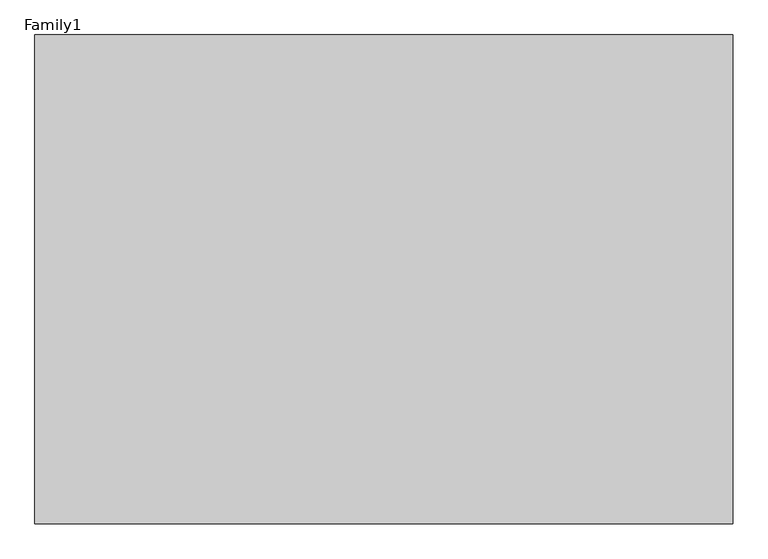
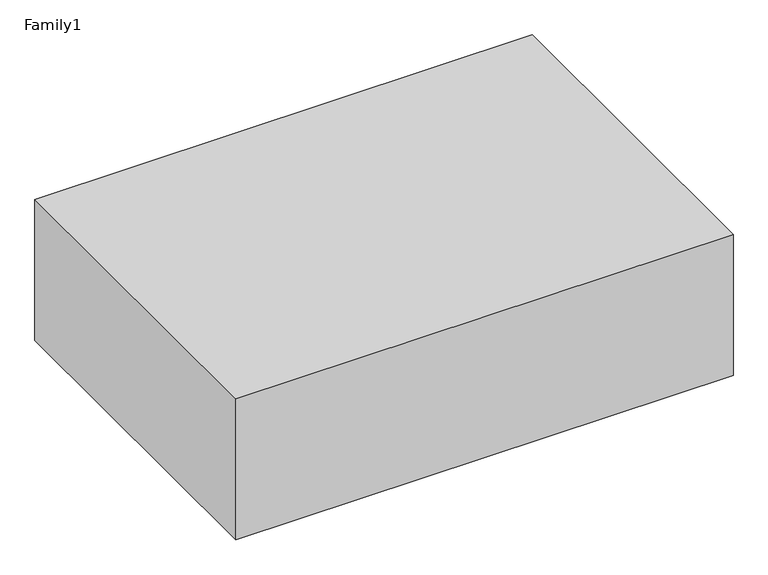
"""IFC4 building model written with IfcOpenShell, lengths in millimetres: proxy geometry, Family1."""

from ifc_helpers import new_model, si_unit, frame, origin, place, context, project, spatial, polyline, outline, extrude, source, transform, mapped, element, save


def family1_7d115038(model_context):
    return source(origin(), model_context, "Body", "SweptSolid", [
        extrude(outline(polyline([(1000.0, 0.0), (0.0, 0.0), (0.0, 700.0), (1000.0, 700.0), (1000.0, 0.0)])), frame((0.0, 0.0, 31000.0), z_axis=(0.0, 0.0, 1.0), x_axis=(1.0, 0.0, 0.0)), (0.0, 0.0, 1.0), 300.0),
    ])


if __name__ == "__main__":
    model = new_model("IFC4")
    model_context = context("Model", 3, world=origin())
    ifc_project = project(units=[si_unit("LENGTHUNIT", "METRE", prefix="MILLI")], contexts=[model_context])
    site = spatial("IfcSite", under=ifc_project)
    building = spatial("IfcBuilding", under=site)
    placement = place(None, origin())
    family1_shape = family1_7d115038(model_context)
    element("IfcBuildingElementProxy", 1, Name="Family1", ObjectType="Family1", at=placement, inside=building, context=model_context, shape_type="MappedRepresentation", body=[
        mapped(family1_shape, transform((0.0, 0.0, 0.0), x_axis=(1.0, 0.0, 0.0), y_axis=(0.0, 1.0, 0.0), z_axis=(0.0, 0.0, 1.0))),
    ])
    save(model, "model.ifc")
